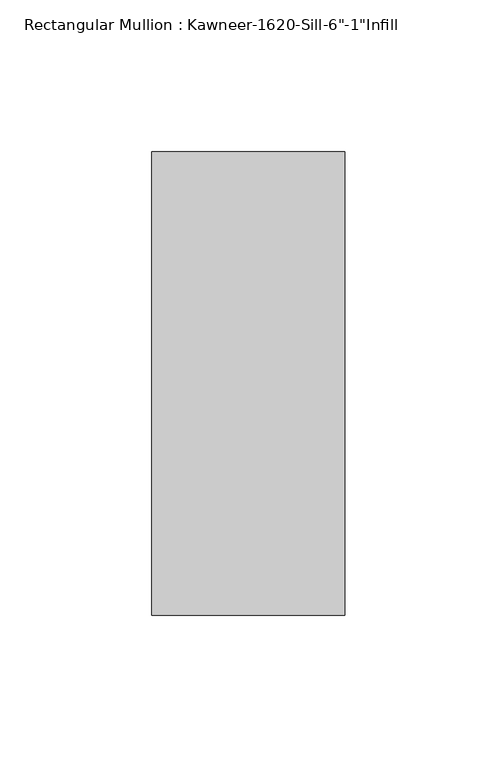
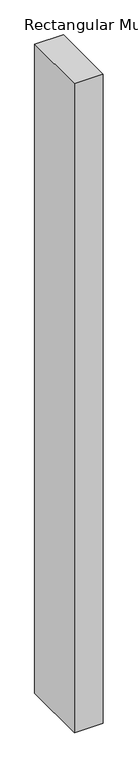
"""IFC4 building model written with IfcOpenShell, lengths in millimetres: member geometry."""

from ifc_helpers import new_model, si_unit, frame, origin, place, context, project, spatial, polyline, outline, extrude, source, transform, mapped, element, save


def member_4b3af064(model_context):
    return source(origin(), model_context, "Body", "SweptSolid", [
        extrude(outline(polyline([(22.225, 38.1), (22.225, -114.3), (-41.275, -114.3), (-41.275, 38.1), (22.225, 38.1)])), frame((0.0, 0.0, -1518.5182369), z_axis=(0.0, 0.0, 1.0), x_axis=(1.0, 0.0, 0.0)), (0.0, 0.0, 1.0), 1518.5182369),
    ])


if __name__ == "__main__":
    model = new_model("IFC4")
    model_context = context("Model", 3, world=origin())
    ifc_project = project(units=[si_unit("LENGTHUNIT", "METRE", prefix="MILLI")], contexts=[model_context])
    site = spatial("IfcSite", under=ifc_project)
    building = spatial("IfcBuilding", under=site)
    placement = place(None, origin())
    member_shape = member_4b3af064(model_context)
    element("IfcMember", 1, ObjectType="Rectangular Mullion : Kawneer-1620-Sill-6\"-1\"Infill", at=placement, inside=building, context=model_context, shape_type="MappedRepresentation", body=[
        mapped(member_shape, transform((0.0, 0.0, 0.0), x_axis=(1.0, 0.0, 0.0), y_axis=(0.0, 1.0, 0.0), z_axis=(0.0, 0.0, 1.0))),
    ])
    save(model, "model.ifc")
